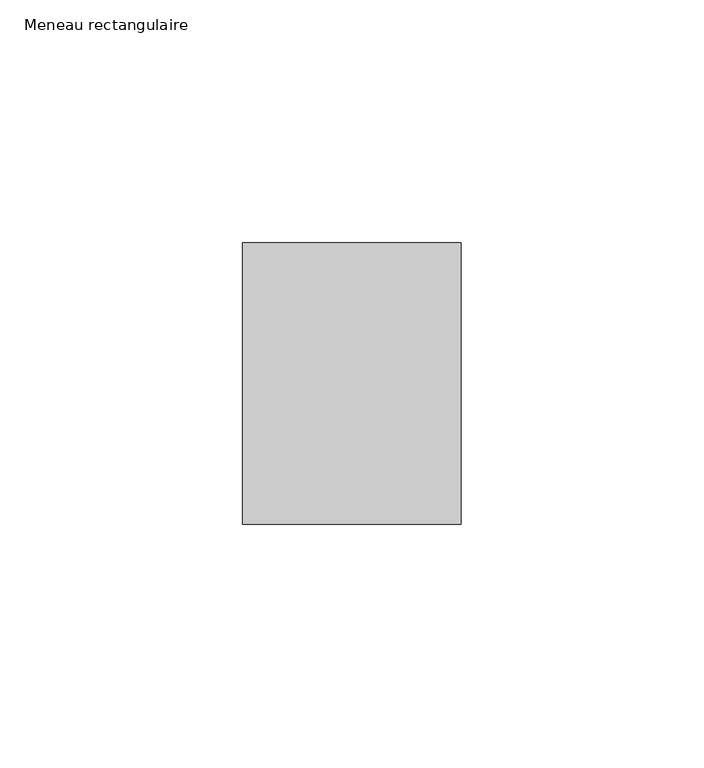
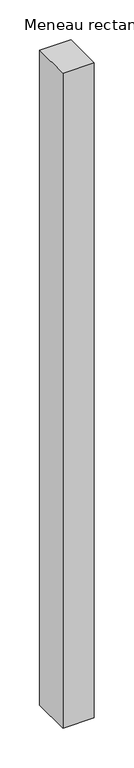
"""IFC4 building model written with IfcOpenShell, lengths in millimetres: member geometry, Meneau rectangulaire."""

from ifc_helpers import new_model, si_unit, frame, origin, place, context, project, spatial, polyline, outline, extrude, source, transform, mapped, element, save


def meneau_rectangulaire_241e58b2(model_context):
    return source(origin(), model_context, "Body", "SweptSolid", [
        extrude(outline(polyline([(0.0, 29.0), (0.0, -29.0), (-45.0, -29.0), (-45.0, 29.0), (0.0, 29.0)])), frame((0.0, 0.0, -1001.5497353), z_axis=(0.0, 0.0, 1.0), x_axis=(1.0, 0.0, 0.0)), (0.0, 0.0, 1.0), 1001.5497353),
    ])


if __name__ == "__main__":
    model = new_model("IFC4")
    model_context = context("Model", 3, world=origin())
    ifc_project = project(units=[si_unit("LENGTHUNIT", "METRE", prefix="MILLI")], contexts=[model_context])
    site = spatial("IfcSite", under=ifc_project)
    building = spatial("IfcBuilding", under=site)
    placement = place(None, origin())
    meneau_rectangulaire_shape = meneau_rectangulaire_241e58b2(model_context)
    element("IfcMember", 1, ObjectType="Meneau rectangulaire", at=placement, inside=building, context=model_context, shape_type="MappedRepresentation", body=[
        mapped(meneau_rectangulaire_shape, transform((0.0, 0.0, 0.0), x_axis=(1.0, 0.0, 0.0), y_axis=(0.0, 1.0, 0.0), z_axis=(0.0, 0.0, 1.0))),
    ])
    save(model, "model.ifc")
